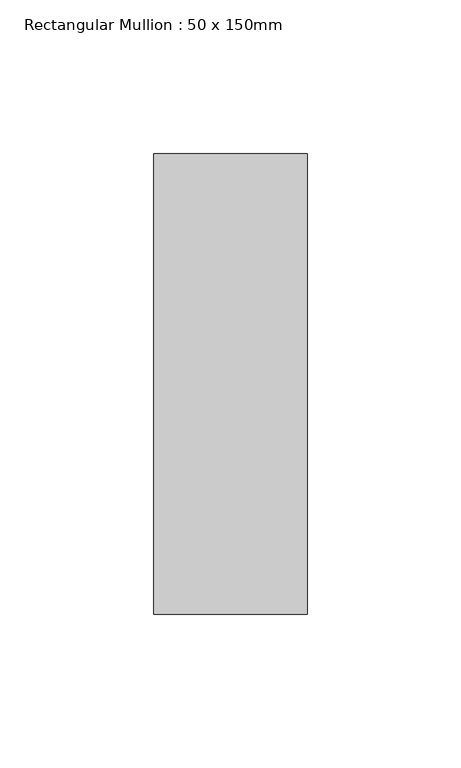
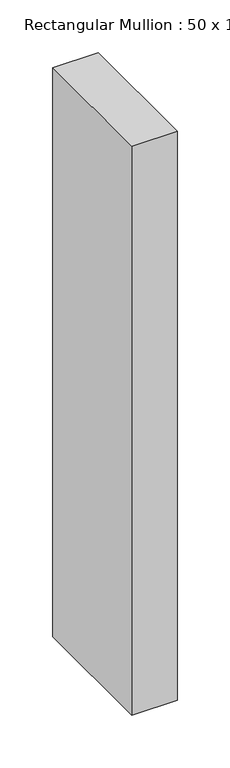
"""IFC4 building model written with IfcOpenShell, lengths in millimetres: member geometry, Rectangular Mullion : 50 x 150mm."""

from ifc_helpers import new_model, si_unit, frame, origin, place, context, project, spatial, polyline, outline, extrude, source, transform, mapped, element, save


def rectangular_mullion_50_x_150mm_ed52b403(model_context):
    return source(origin(), model_context, "Body", "SweptSolid", [
        extrude(outline(polyline([(25.0, 75.0), (25.0, -75.0), (-25.0, -75.0), (-25.0, 75.0), (25.0, 75.0)])), frame((0.0, 0.0, -660.0), z_axis=(0.0, 0.0, 1.0), x_axis=(1.0, 0.0, 0.0)), (0.0, 0.0, 1.0), 660.0),
    ])


if __name__ == "__main__":
    model = new_model("IFC4")
    model_context = context("Model", 3, world=origin())
    ifc_project = project(units=[si_unit("LENGTHUNIT", "METRE", prefix="MILLI")], contexts=[model_context])
    site = spatial("IfcSite", under=ifc_project)
    building = spatial("IfcBuilding", under=site)
    placement = place(None, origin())
    rectangular_mullion_50_x_150mm_shape = rectangular_mullion_50_x_150mm_ed52b403(model_context)
    element("IfcMember", 1, ObjectType="Rectangular Mullion : 50 x 150mm", at=placement, inside=building, context=model_context, shape_type="MappedRepresentation", body=[
        mapped(rectangular_mullion_50_x_150mm_shape, transform((0.0, 0.0, 0.0), x_axis=(1.0, 0.0, 0.0), y_axis=(0.0, 1.0, 0.0), z_axis=(0.0, 0.0, 1.0))),
    ])
    save(model, "model.ifc")
